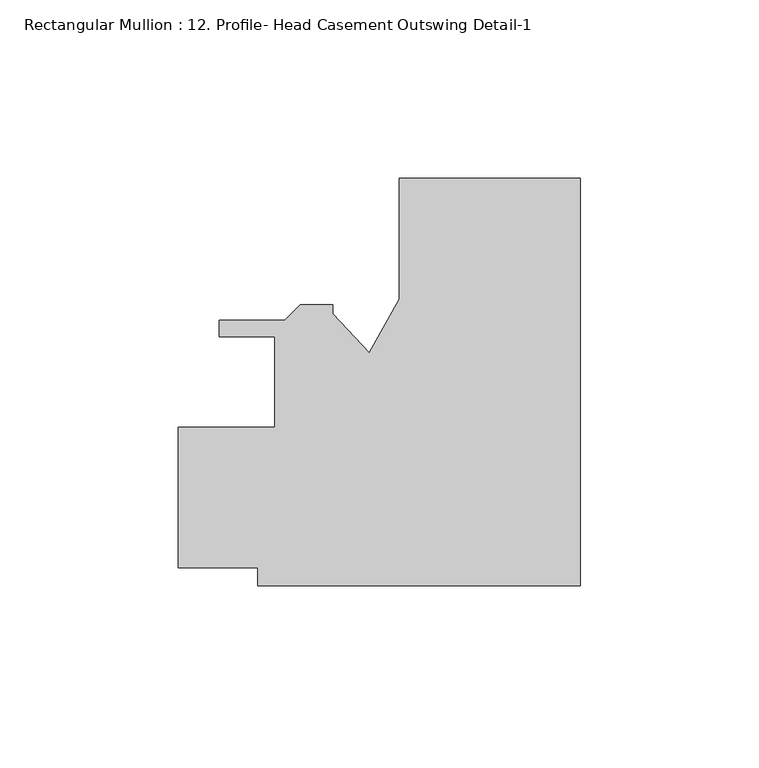
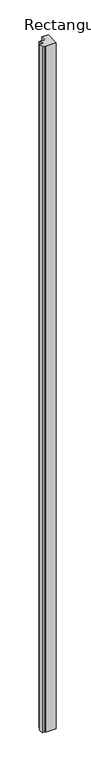
"""IFC4 building model written with IfcOpenShell, lengths in millimetres: member geometry, Rectangular Mullion : 12. Profile- Head Casement Outswing Detail-1."""

from ifc_helpers import new_model, si_unit, frame, origin, place, context, project, spatial, polyline, outline, extrude, source, transform, mapped, element, save


def rectangular_mullion_12_profile_head_casement_outswing_detail_3280d0cd(model_context):
    return source(origin(), model_context, "Body", "SweptSolid", [
        extrude(outline(polyline([(0.0, 57.1269184), (0.0, -57.1731451), (-90.4875, -57.1731451), (-90.4875, -52.0930816), (-112.7125, -52.0930816), (-112.7125, -12.7230818), (-85.7250005, -12.7230818), (-85.7250005, 12.6769182), (-101.2221564, 12.6769182), (-101.2221564, 17.3759184), (-82.8436417, 17.3759184), (-78.5764417, 21.6431184), (-69.4761495, 21.6431184), (-69.4761495, 19.1031185), (-59.1458639, 8.2563186), (-50.8, 23.1671185), (-50.8, 57.1269184), (0.0, 57.1269184)])), frame((0.0, 0.0, -6000.75), z_axis=(0.0, 0.0, 1.0), x_axis=(1.0, 0.0, 0.0)), (0.0, 0.0, 1.0), 6000.75),
    ])


if __name__ == "__main__":
    model = new_model("IFC4")
    model_context = context("Model", 3, world=origin())
    ifc_project = project(units=[si_unit("LENGTHUNIT", "METRE", prefix="MILLI")], contexts=[model_context])
    site = spatial("IfcSite", under=ifc_project)
    building = spatial("IfcBuilding", under=site)
    placement = place(None, origin())
    rectangular_mullion_12_profile_head_casement_outswing_detail_shape = rectangular_mullion_12_profile_head_casement_outswing_detail_3280d0cd(model_context)
    element("IfcMember", 1, ObjectType="Rectangular Mullion : 12. Profile- Head Casement Outswing Detail-1", at=placement, inside=building, context=model_context, shape_type="MappedRepresentation", body=[
        mapped(rectangular_mullion_12_profile_head_casement_outswing_detail_shape, transform((0.0, 0.0, 0.0), x_axis=(1.0, 0.0, 0.0), y_axis=(0.0, 1.0, 0.0), z_axis=(0.0, 0.0, 1.0))),
    ])
    save(model, "model.ifc")
